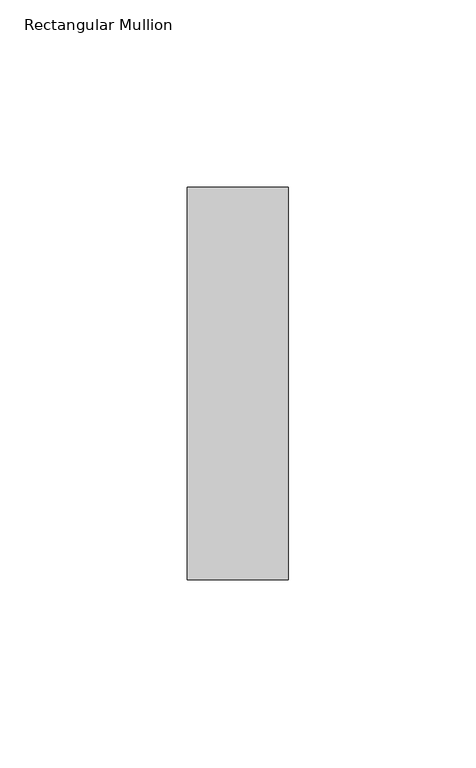
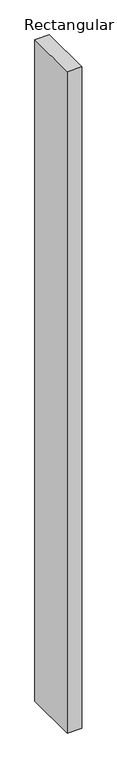
"""IFC4 building model written with IfcOpenShell, lengths in millimetres: member geometry, Rectangular Mullion."""

from ifc_helpers import new_model, si_unit, frame, origin, place, context, project, spatial, polyline, outline, extrude, source, transform, mapped, element, save


def rectangular_mullion_874fdac6(model_context):
    return source(origin(), model_context, "Body", "SweptSolid", [
        extrude(outline(polyline([(-27.0, 52.3975), (0.0, 52.3975), (0.0, -52.3975), (-27.0, -52.3975), (-27.0, 52.3975)])), frame((0.0, 0.0, -1310.0), z_axis=(0.0, 0.0, 1.0), x_axis=(1.0, 0.0, 0.0)), (0.0, 0.0, 1.0), 1310.0),
    ])


if __name__ == "__main__":
    model = new_model("IFC4")
    model_context = context("Model", 3, world=origin())
    ifc_project = project(units=[si_unit("LENGTHUNIT", "METRE", prefix="MILLI")], contexts=[model_context])
    site = spatial("IfcSite", under=ifc_project)
    building = spatial("IfcBuilding", under=site)
    placement = place(None, origin())
    rectangular_mullion_shape = rectangular_mullion_874fdac6(model_context)
    element("IfcMember", 1, ObjectType="Rectangular Mullion", at=placement, inside=building, context=model_context, shape_type="MappedRepresentation", body=[
        mapped(rectangular_mullion_shape, transform((0.0, 0.0, 0.0), x_axis=(1.0, 0.0, 0.0), y_axis=(0.0, 1.0, 0.0), z_axis=(0.0, 0.0, 1.0))),
    ])
    save(model, "model.ifc")
